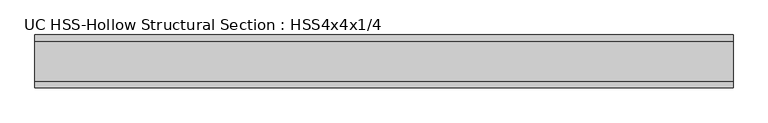
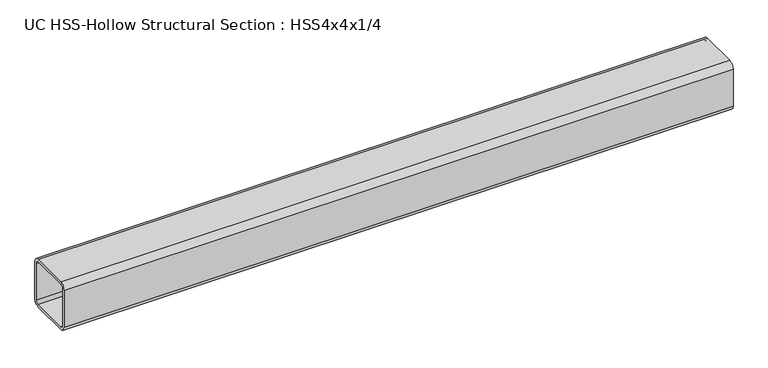
"""IFC4 building model written with IfcOpenShell, lengths in millimetres: beam geometry, UC HSS-Hollow Structural Section : HSS4x4x1/4."""

from ifc_helpers import new_model, si_unit, point, frame, frame_2d, origin, place, context, project, spatial, polyline, circle_curve, trimmed, segment, composite_curve, outline, extrude, source, transform, mapped, element, save


def uc_hss_hollow_structural_section_hss4x4x1_4_d5a272e5(model_context):
    return source(origin(), model_context, "Body", "SweptSolid", [
        extrude(outline(composite_curve([segment(polyline([(50.8, 38.9636), (50.8, -38.9636)]), True, "CONTINUOUS"), segment(trimmed(circle_curve(frame_2d((38.9636, -38.9636)), 11.8364), [point((50.8, -38.9636))], [point((38.9636, -50.8))], False, "CARTESIAN"), True, "CONTINUOUS"), segment(polyline([(38.9636, -50.8), (-38.9636, -50.8)]), True, "CONTINUOUS"), segment(trimmed(circle_curve(frame_2d((-38.9636, -38.9636)), 11.8364), [point((-38.9636, -50.8))], [point((-50.8, -38.9636))], False, "CARTESIAN"), True, "CONTINUOUS"), segment(polyline([(-50.8, -38.9636), (-50.8, 38.9636)]), True, "CONTINUOUS"), segment(trimmed(circle_curve(frame_2d((-38.9636, 38.9636)), 11.8364), [point((-50.8, 38.9636))], [point((-38.9636, 50.8))], False, "CARTESIAN"), True, "CONTINUOUS"), segment(polyline([(-38.9636, 50.8), (38.9636, 50.8)]), True, "CONTINUOUS"), segment(trimmed(circle_curve(frame_2d((38.9636, 38.9636)), 11.8364), [point((38.9636, 50.8))], [point((50.8, 38.9636))], False, "CARTESIAN"), True, "CONTINUOUS")], self_intersect=False), holes=[composite_curve([segment(trimmed(circle_curve(frame_2d((-38.9636, 38.9636)), 5.9182), [point((-38.9636, 44.8818))], [point((-44.8818, 38.9636))], True, "CARTESIAN"), True, "CONTINUOUS"), segment(polyline([(-44.8818, 38.9636), (-44.8818, -38.9636)]), True, "CONTINUOUS"), segment(trimmed(circle_curve(frame_2d((-38.9636, -38.9636)), 5.9182), [point((-44.8818, -38.9636))], [point((-38.9636, -44.8818))], True, "CARTESIAN"), True, "CONTINUOUS"), segment(polyline([(-38.9636, -44.8818), (38.9636, -44.8818)]), True, "CONTINUOUS"), segment(trimmed(circle_curve(frame_2d((38.9636, -38.9636)), 5.9182), [point((38.9636, -44.8818))], [point((44.8818, -38.9636))], True, "CARTESIAN"), True, "CONTINUOUS"), segment(polyline([(44.8818, -38.9636), (44.8818, 38.9636)]), True, "CONTINUOUS"), segment(trimmed(circle_curve(frame_2d((38.9636, 38.9636)), 5.9182), [point((44.8818, 38.9636))], [point((38.9636, 44.8818))], True, "CARTESIAN"), True, "CONTINUOUS"), segment(polyline([(38.9636, 44.8818), (-38.9636, 44.8818)]), True, "CONTINUOUS")], self_intersect=False)]), frame((-647.7, 0.0, 0.0), z_axis=(1.0, 0.0, 0.0), x_axis=(0.0, 1.0, 0.0)), (0.0, 0.0, 1.0), 1346.5837963),
    ])


if __name__ == "__main__":
    model = new_model("IFC4")
    model_context = context("Model", 3, world=origin())
    ifc_project = project(units=[si_unit("LENGTHUNIT", "METRE", prefix="MILLI")], contexts=[model_context])
    site = spatial("IfcSite", under=ifc_project)
    building = spatial("IfcBuilding", under=site)
    placement = place(None, origin())
    uc_hss_hollow_structural_section_hss4x4x1_4_shape = uc_hss_hollow_structural_section_hss4x4x1_4_d5a272e5(model_context)
    element("IfcBeam", 1, ObjectType="UC HSS-Hollow Structural Section : HSS4x4x1/4", at=placement, inside=building, context=model_context, shape_type="MappedRepresentation", body=[
        mapped(uc_hss_hollow_structural_section_hss4x4x1_4_shape, transform((0.0, 0.0, 0.0), x_axis=(1.0, 0.0, 0.0), y_axis=(0.0, 1.0, 0.0), z_axis=(0.0, 0.0, 1.0))),
    ])
    save(model, "model.ifc")
